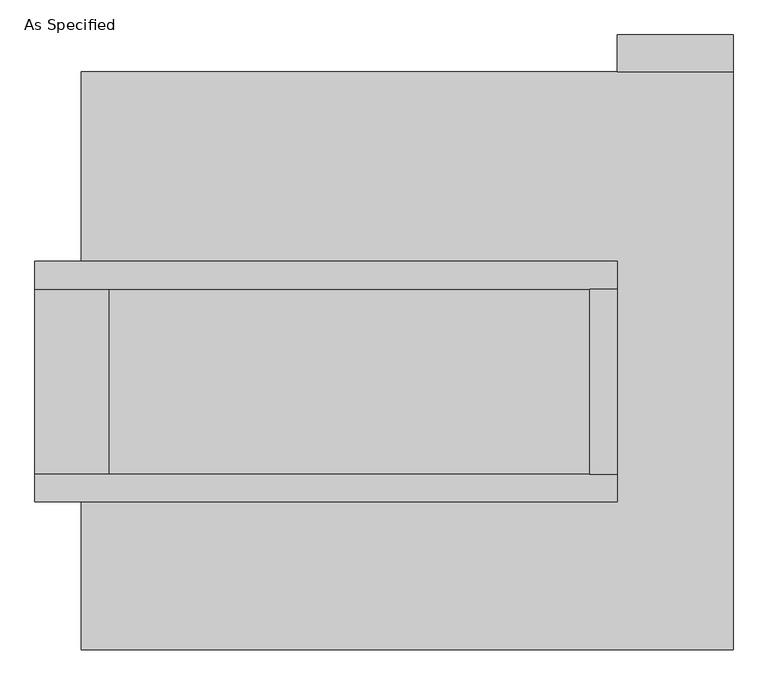
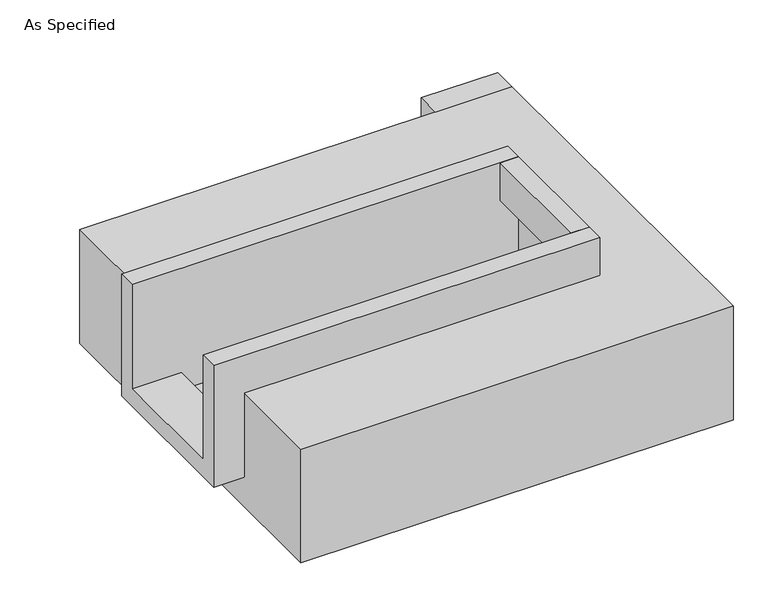
"""IFC4 building model written with IfcOpenShell, lengths in millimetres: proxy geometry, As Specified."""

from ifc_helpers import new_model, si_unit, frame, origin, place, context, project, spatial, polyline, outline, extrude, faceted_brep, source, transform, mapped, element, save


def as_specified_81bee772(model_context):
    return source(origin(), model_context, "Body", "SolidModel", [
        extrude(outline(polyline([(971.55, 793.75), (654.05, 793.75), (654.05, 895.35), (971.55, 895.35), (971.55, 793.75)])), frame((0.0, 0.0, -523.9742188), z_axis=(0.0, 0.0, 1.0), x_axis=(1.0, 0.0, 0.0)), (0.0, 0.0, 1.0), 498.5742188),
        extrude(outline(polyline([(577.85, 196.85), (654.05, 196.85), (654.05, -311.15), (577.85, -311.15), (577.85, 196.85)])), frame((0.0, 0.0, -25.4), z_axis=(0.0, 0.0, 1.0), x_axis=(1.0, 0.0, 0.0)), (0.0, 0.0, 1.0), 165.1),
        faceted_brep([(654.05, 196.85, 139.7), (654.05, 196.85, -317.5), (654.05, -311.15, -317.5), (654.05, -311.15, 139.7), (654.05, -387.35, 139.7), (654.05, -387.35, -393.7), (654.05, 273.05, -393.7), (654.05, 273.05, 139.7), (-946.15, 196.85, 139.7), (-946.15, 273.05, 139.7), (-946.15, 273.05, -393.7), (-946.15, -387.35, -393.7), (-946.15, -387.35, 139.7), (-946.15, -311.15, 139.7), (-946.15, -311.15, -317.5), (-946.15, 196.85, -317.5), (-742.95, 196.85, -393.7), (-742.95, -311.15, -393.7), (577.85, -311.15, -393.7), (577.85, 196.85, -393.7), (577.85, -311.15, -317.5), (-742.95, -311.15, -317.5), (577.85, 196.85, -317.5), (-742.95, 196.85, -317.5)], [[[0, 1, 2, 3, 4, 5, 6, 7]], [[8, 9, 10, 11, 12, 13, 14, 15]], [[0, 7, 9, 8]], [[7, 6, 10, 9]], [[6, 5, 11, 10], [16, 17, 18, 19]], [[4, 3, 13, 12]], [[3, 2, 20, 18, 17, 21, 14, 13]], [[2, 1, 22, 20]], [[15, 14, 21, 23]], [[1, 0, 8, 15, 23, 16, 19, 22]], [[21, 17, 16, 23]], [[18, 20, 22, 19]], [[5, 4, 12, 11]]]),
        faceted_brep([(971.55, 793.75, -523.9742188), (971.55, -793.75, -523.9742188), (-819.15, -793.75, -523.9742188), (-819.15, 793.75, -523.9742188), (-819.15, 793.75, -25.4), (-819.15, 273.05, -25.4), (654.05, 273.05, -25.4), (654.05, -387.35, -25.4), (-819.15, -387.35, -25.4), (-819.15, -793.75, -25.4), (971.55, -793.75, -25.4), (971.55, 793.75, -25.4), (-819.15, -387.35, -393.7), (-819.15, 273.05, -393.7), (654.05, 273.05, -393.7), (654.05, -387.35, -393.7)], [[[0, 1, 2, 3]], [[4, 5, 6, 7, 8, 9, 10, 11]], [[0, 3, 4, 11]], [[4, 3, 2, 9, 8, 12, 13, 5]], [[2, 1, 10, 9]], [[14, 15, 7, 6]], [[13, 14, 6, 5]], [[15, 14, 13, 12]], [[15, 12, 8, 7]], [[1, 0, 11, 10]]]),
    ])


if __name__ == "__main__":
    model = new_model("IFC4")
    model_context = context("Model", 3, world=origin())
    ifc_project = project(units=[si_unit("LENGTHUNIT", "METRE", prefix="MILLI")], contexts=[model_context])
    site = spatial("IfcSite", under=ifc_project)
    building = spatial("IfcBuilding", under=site)
    placement = place(None, origin())
    as_specified_shape = as_specified_81bee772(model_context)
    element("IfcBuildingElementProxy", 1, Name="As Specified", ObjectType="As Specified", at=placement, inside=building, context=model_context, shape_type="MappedRepresentation", body=[
        mapped(as_specified_shape, transform((0.0, 0.0, 0.0), x_axis=(1.0, 0.0, 0.0), y_axis=(0.0, 1.0, 0.0), z_axis=(0.0, 0.0, 1.0))),
    ])
    save(model, "model.ifc")
